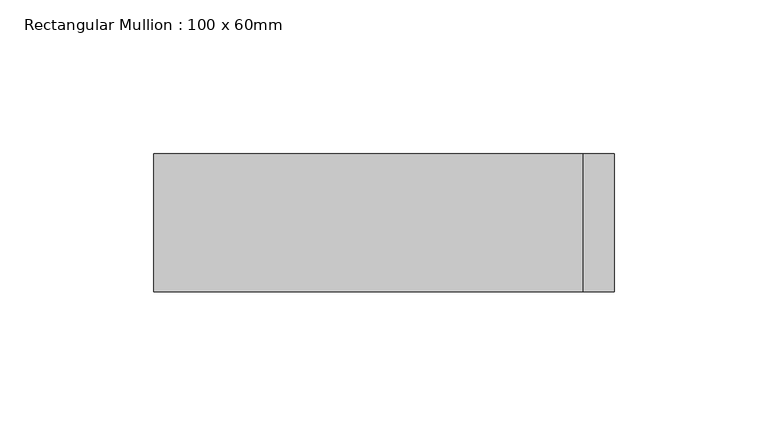
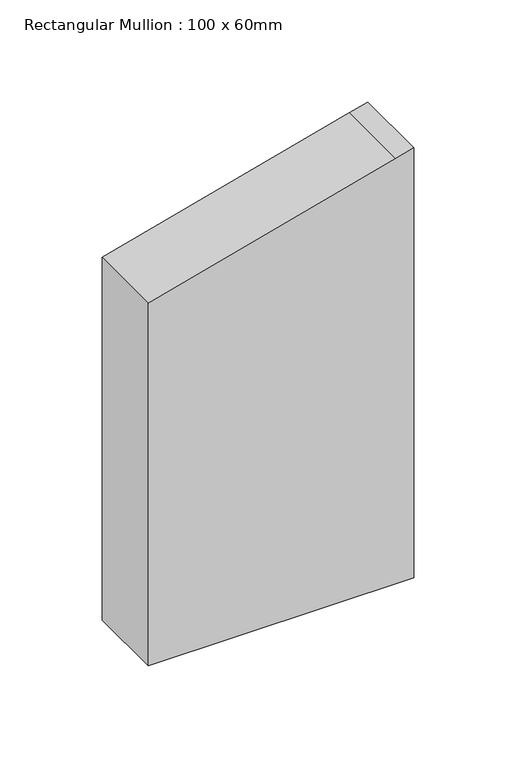
"""IFC4 building model written with IfcOpenShell, lengths in millimetres: member geometry, Rectangular Mullion : 100 x 60mm."""

from ifc_helpers import new_model, si_unit, frame, origin, place, context, project, spatial, polyline, outline, extrude, source, transform, mapped, element, save


def rectangular_mullion_100_x_60mm_11357a37(model_context):
    return source(origin(), model_context, "Body", "SweptSolid", [
        extrude(outline(polyline([(-238.7228557, 75.0), (-241.4814566, 64.7047613), (-278.9152345, -75.0), (-495.5523608, -75.0), (-495.5523608, 75.0), (-238.7228557, 75.0)])), frame((0.0, -30.0, 0.0), z_axis=(0.0, 1.0, 0.0), x_axis=(0.0, 0.0, 1.0)), (0.0, 0.0, 1.0), 45.0),
    ])


if __name__ == "__main__":
    model = new_model("IFC4")
    model_context = context("Model", 3, world=origin())
    ifc_project = project(units=[si_unit("LENGTHUNIT", "METRE", prefix="MILLI")], contexts=[model_context])
    site = spatial("IfcSite", under=ifc_project)
    building = spatial("IfcBuilding", under=site)
    placement = place(None, origin())
    rectangular_mullion_100_x_60mm_shape = rectangular_mullion_100_x_60mm_11357a37(model_context)
    element("IfcMember", 1, ObjectType="Rectangular Mullion : 100 x 60mm", at=placement, inside=building, context=model_context, shape_type="MappedRepresentation", body=[
        mapped(rectangular_mullion_100_x_60mm_shape, transform((0.0, 0.0, 0.0), x_axis=(1.0, 0.0, 0.0), y_axis=(0.0, 1.0, 0.0), z_axis=(0.0, 0.0, 1.0))),
    ])
    save(model, "model.ifc")
